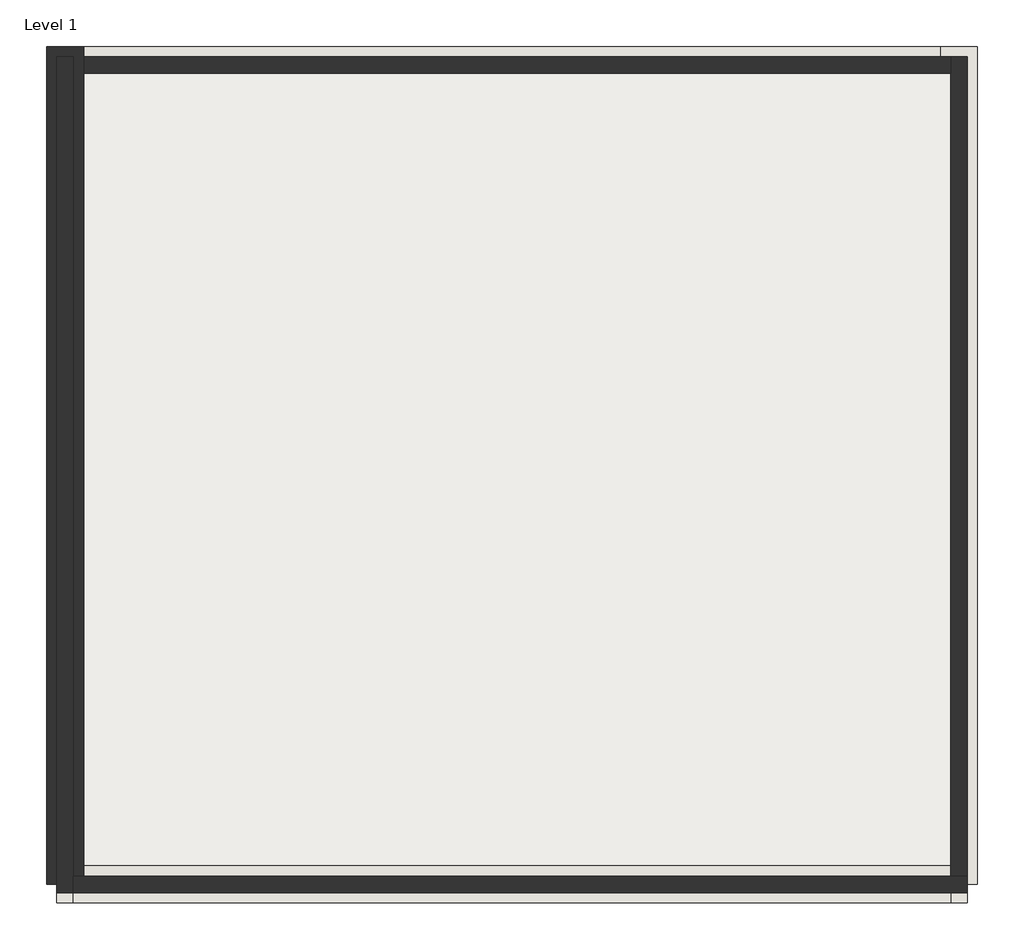
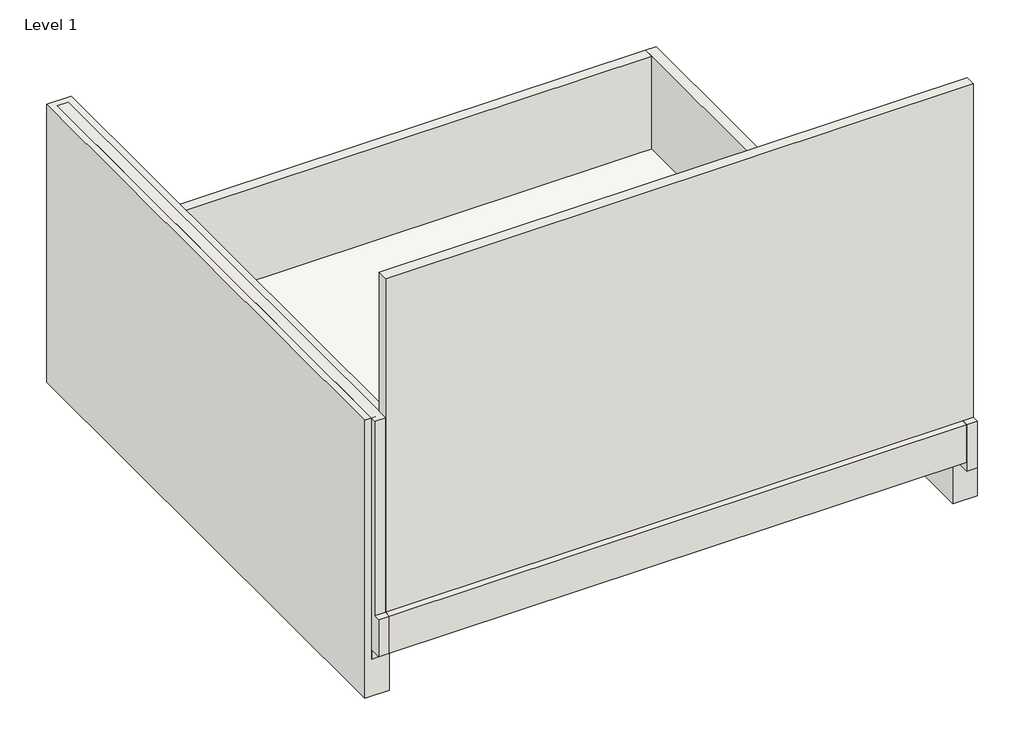
# One storey: 8 walls, 1 slab.
"""IFC4 building model written with IfcOpenShell, lengths in millimetres."""

from ifc_helpers import new_model, si_unit, frame, origin, place, context, project, spatial, polyline, outline, extrude, faceted_brep, element, save

model = new_model("IFC4")

# Units and contexts
model_context = context("Model", 3, world=origin())
ifc_project = project(units=[si_unit("LENGTHUNIT", "METRE", prefix="MILLI")], contexts=[model_context])

# Site, building, storey
site = spatial("IfcSite", under=ifc_project)
building = spatial("IfcBuilding", under=site)
storey = spatial("IfcBuildingStorey", under=building, Name="Level 1", Elevation=0.0)

# Slab
placement = place(None, origin())
element("IfcSlab", 1, ObjectType="Generic 150mm", at=placement, inside=storey, context=model_context, shape_type="SweptSolid", body=[
    extrude(outline(polyline([(-7819.6023461, -2497.91887), (-7819.6023461, 8502.08113), (4180.3976539, 8502.08113), (4180.3976539, -2497.91887), (-7819.6023461, -2497.91887)])), frame((0.0, 0.0, -150.0), z_axis=(0.0, 0.0, 1.0), x_axis=(1.0, 0.0, 0.0)), (0.0, 0.0, 1.0), 150.0),
])

# Walls
element("IfcWall", 2, at=placement, inside=storey, context=model_context, shape_type="Brep", body=[
    faceted_brep([(-7929.6023461, 8612.08113, -200.0), (-7929.6023461, -2497.91887, -200.0), (-7929.6023461, -2497.91887, 0.0), (-7929.6023461, -2747.91887, 0.0), (-7929.6023461, -2747.91887, 800.0), (-7929.6023461, -2607.91887, 800.0), (-7929.6023461, -2607.91887, 5000.0), (-7929.6023461, 8612.08113, 5000.0), (-7709.6023461, 8612.08113, -200.0), (-7709.6023461, 8612.08113, 2000.0), (-7709.6023461, 8612.08113, 5000.0), (-7709.6023461, -2607.91887, 5000.0), (-7709.6023461, -2607.91887, 800.0), (-7709.6023461, -2747.91887, 800.0), (-7709.6023461, -2747.91887, 0.0), (-7709.6023461, -2497.91887, 0.0), (-7709.6023461, -2497.91887, -200.0), (-7709.6023461, 8392.08113, -200.0)], [[[0, 1, 2, 3, 4, 5, 6, 7]], [[8, 9, 10, 11, 12, 13, 14, 15, 16, 17]], [[1, 0, 8, 17, 16]], [[2, 1, 16, 15]], [[14, 3, 2, 15]], [[12, 5, 4, 13]], [[4, 3, 14, 13]], [[6, 5, 12, 11]], [[0, 7, 10, 9, 8]], [[7, 6, 11, 10]]]),
])
element("IfcWall", 3, at=placement, inside=storey, context=model_context, shape_type="Brep", body=[
    faceted_brep([(-7709.6023461, -2607.91887, 800.0), (4290.3976539, -2607.91887, 800.0), (4290.3976539, -2607.91887, 8000.0), (-7709.6023461, -2607.91887, 8000.0), (-7709.6023461, -2607.91887, 5000.0), (-7709.6023461, -2387.91887, 800.0), (-7709.6023461, -2387.91887, 8000.0), (4290.3976539, -2387.91887, 8000.0), (4290.3976539, -2387.91887, 2000.0), (4290.3976539, -2387.91887, 800.0), (4070.3976539, -2387.91887, 800.0)], [[[0, 1, 2, 3, 4]], [[5, 6, 7, 8, 9, 10]], [[1, 0, 5, 10, 9]], [[3, 2, 7, 6]], [[2, 1, 9, 8, 7]], [[0, 4, 3, 6, 5]]]),
])
element("IfcWall", 4, at=placement, inside=storey, context=model_context, shape_type="Brep", body=[
    faceted_brep([(4290.3976539, -2747.91887, -200.0), (4290.3976539, 8612.08113, -200.0), (4290.3976539, 8612.08113, 2000.0), (4290.3976539, -2387.91887, 2000.0), (4290.3976539, -2387.91887, 800.0), (4290.3976539, -2607.91887, 800.0), (4290.3976539, -2747.91887, 800.0), (4070.3976539, -2747.91887, -200.0), (4070.3976539, -2747.91887, 0.0), (4070.3976539, -2747.91887, 800.0), (4070.3976539, -2387.91887, 800.0), (4070.3976539, -2387.91887, 2000.0), (4070.3976539, 8392.08113, 2000.0), (4070.3976539, 8612.08113, 2000.0), (4070.3976539, 8612.08113, -200.0), (4070.3976539, 8392.08113, -200.0)], [[[0, 1, 2, 3, 4, 5, 6]], [[7, 8, 9, 10, 11, 12, 13, 14, 15]], [[1, 0, 7, 15, 14]], [[3, 2, 13, 12, 11]], [[2, 1, 14, 13]], [[4, 10, 9, 6, 5]], [[0, 6, 9, 8, 7]], [[4, 3, 11, 10]]]),
])
element("IfcWall", 5, at=placement, inside=storey, context=model_context, shape_type="SweptSolid", body=[
    extrude(outline(polyline([(-7709.6023461, 8612.08113), (4070.3976539, 8612.08113), (4070.3976539, 8392.08113), (-7709.6023461, 8392.08113), (-7709.6023461, 8612.08113)])), frame((0.0, 0.0, -200.0), z_axis=(0.0, 0.0, 1.0), x_axis=(1.0, 0.0, 0.0)), (0.0, 0.0, 1.0), 2200.0),
])
element("IfcWall", 6, ObjectType="NL_16_fundering", at=placement, inside=storey, context=model_context, shape_type="Brep", body=[
    faceted_brep([(-8069.6023461, 8752.08113, -1000.0), (-8069.6023461, -2497.91887, -1000.0), (-8069.6023461, -2497.91887, 5000.0), (-8069.6023461, 8752.08113, 5000.0), (-7569.6023461, 8752.08113, -1000.0), (-7569.6023461, 8752.08113, -200.0), (-7569.6023461, 8752.08113, 5000.0), (-7569.6023461, -2497.91887, 5000.0), (-7569.6023461, -2497.91887, -1000.0), (-7569.6023461, 8252.08113, -1000.0)], [[[0, 1, 2, 3]], [[4, 5, 6, 7, 8, 9]], [[1, 0, 4, 9, 8]], [[2, 1, 8, 7]], [[0, 3, 6, 5, 4]], [[3, 2, 7, 6]]]),
])
element("IfcWall", 7, ObjectType="NL_16_fundering", at=placement, inside=storey, context=model_context, shape_type="Brep", body=[
    faceted_brep([(-7709.6023461, -2747.91887, 0.0), (4070.3976539, -2747.91887, 0.0), (4070.3976539, -2747.91887, 800.0), (-7709.6023461, -2747.91887, 800.0), (-7709.6023461, -2247.91887, 0.0), (-7709.6023461, -2247.91887, 800.0), (4070.3976539, -2247.91887, 800.0), (4070.3976539, -2247.91887, 0.0), (-7709.6023461, -2497.91887, 0.0), (4070.3976539, -2387.91887, 800.0), (-7709.6023461, -2387.91887, 800.0), (-7709.6023461, -2607.91887, 800.0)], [[[0, 1, 2, 3]], [[4, 5, 6, 7]], [[1, 0, 8, 4, 7]], [[3, 2, 9, 6, 5, 10, 11]], [[0, 3, 11, 10, 5, 4, 8]], [[2, 1, 7, 6, 9]]]),
])
element("IfcWall", 8, ObjectType="NL_16_fundering", at=placement, inside=storey, context=model_context, shape_type="Brep", body=[
    faceted_brep([(4430.3976539, -2497.91887, -1000.0), (4430.3976539, 8752.08113, -1000.0), (4430.3976539, 8752.08113, -200.0), (4430.3976539, -2497.91887, -200.0), (3930.3976539, -2497.91887, -1000.0), (3930.3976539, -2497.91887, -200.0), (3930.3976539, 8252.08113, -200.0), (3930.3976539, 8752.08113, -200.0), (3930.3976539, 8752.08113, -1000.0), (3930.3976539, 8252.08113, -1000.0)], [[[0, 1, 2, 3]], [[4, 5, 6, 7, 8, 9]], [[1, 0, 4, 9, 8]], [[3, 2, 7, 6, 5]], [[0, 3, 5, 4]], [[2, 1, 8, 7]]]),
])
element("IfcWall", 9, ObjectType="NL_16_fundering", at=placement, inside=storey, context=model_context, shape_type="SweptSolid", body=[
    extrude(outline(polyline([(-7569.6023461, 8752.08113), (3930.3976539, 8752.08113), (3930.3976539, 8252.08113), (-7569.6023461, 8252.08113), (-7569.6023461, 8752.08113)])), frame((0.0, 0.0, -1000.0), z_axis=(0.0, 0.0, 1.0), x_axis=(1.0, 0.0, 0.0)), (0.0, 0.0, 1.0), 800.0),
])

save(model, "model.ifc")
